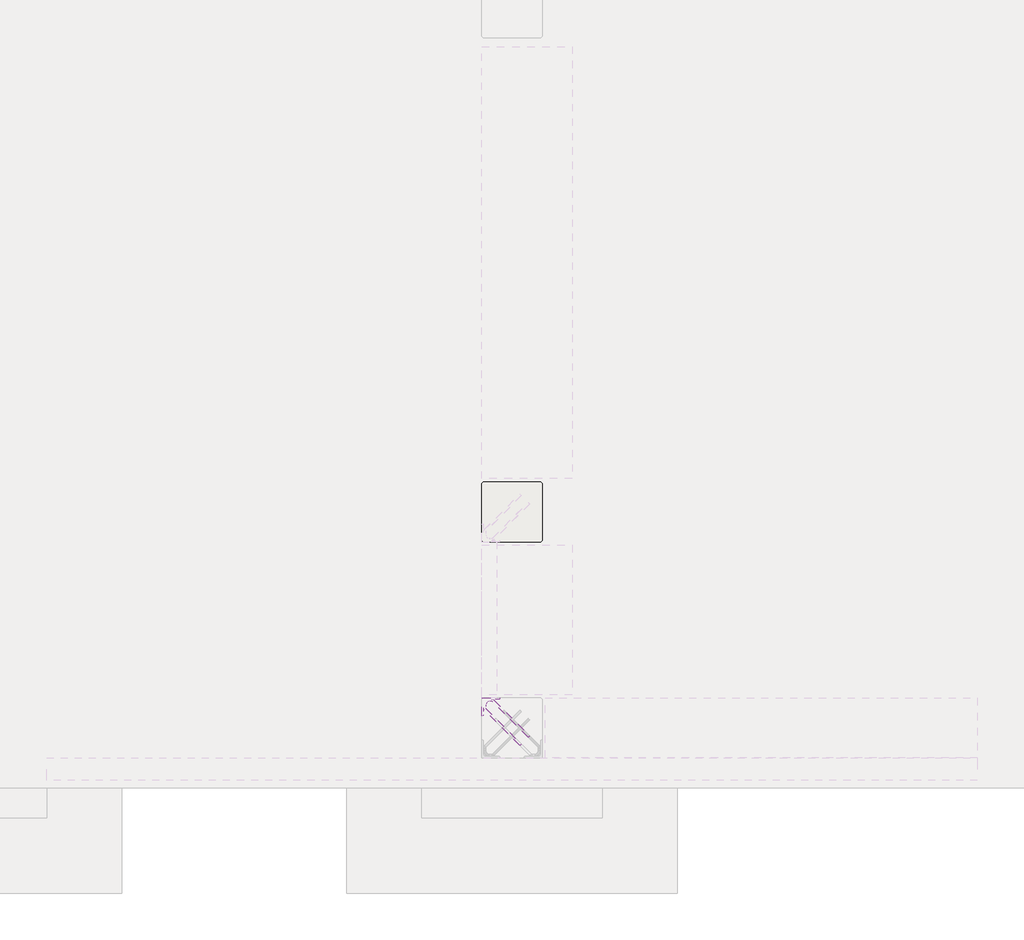
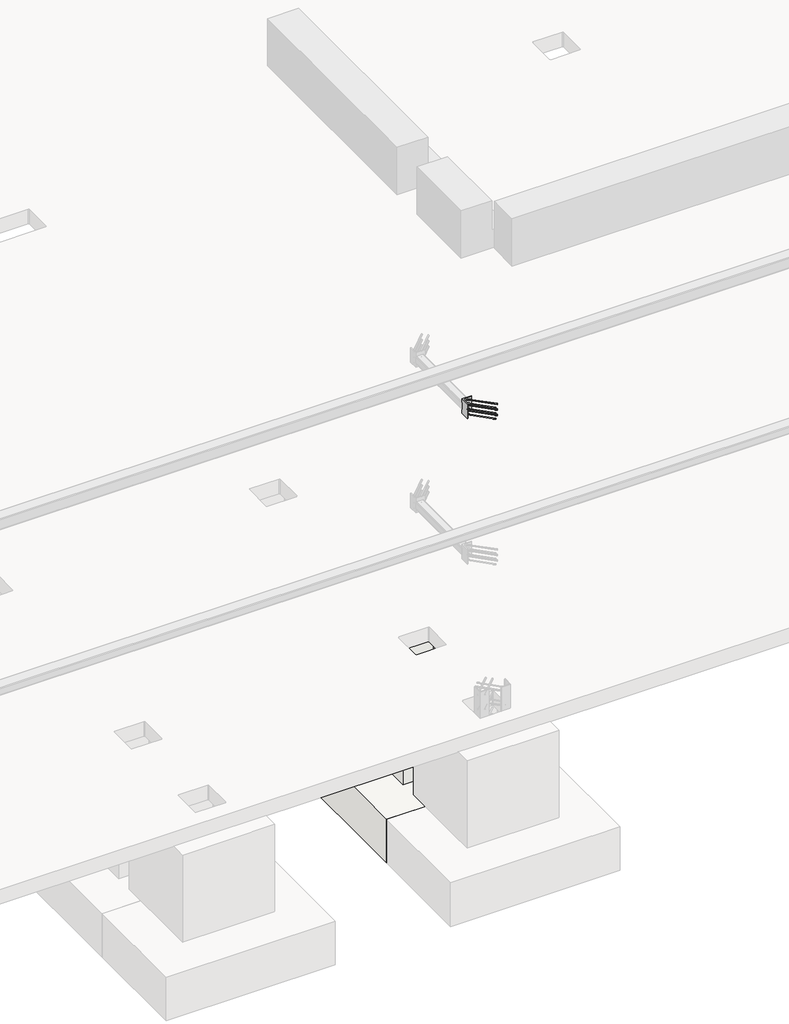
# One storey, part 11 of 65: 1 fastener, 1 slab.
"""IFC4 building model written with IfcOpenShell, lengths in millimetres."""

from ifc_helpers import new_model, si_unit, point, frame, frame_2d, origin, place, context, project, spatial, polyline, circle_curve, ellipse_curve, trimmed, segment, composite_curve, outline, extrude, faceted_brep, element, save
from ifc_brep_helpers import plane_surface, cylinder_surface, revolved_surface, advanced_brep

model = new_model("IFC4")

# Units and contexts
model_context = context("Model", 3, world=origin())
ifc_project = project(units=[si_unit("LENGTHUNIT", "METRE", prefix="MILLI")], contexts=[model_context])

# Site, building, storey
site = spatial("IfcSite", under=ifc_project)
building = spatial("IfcBuilding", under=site)
storey = spatial("IfcBuildingStorey", under=building, Elevation=0.0)

# Fastener
placement = place(None, origin())
element("IfcFastener", 1, at=placement, inside=storey, context=model_context, shape_type="SolidModel", body=[
    advanced_brep(
    [(20902.5376259, 9882.5628791, 4125.0), (20912.4371209, 9892.4623741, 4125.0), (20967.4371209, 9947.4623741, 4125.0), (20957.5376259, 9937.5628791, 4125.0), (20697.0, 10176.0, 4125.0), (20697.0, 10190.0, 4125.0), (20715.7867966, 10190.0, 4125.0), (20715.7867966, 10176.0, 4125.0), (20674.0, 10153.0, 4125.0), (20660.0, 10153.0, 4125.0), (20674.0, 10134.2132034, 4125.0), (20660.0, 10134.2132034, 4125.0), (20666.4436508, 10118.6568542, 4125.0), (20676.3431458, 10128.5563492, 4125.0), (20721.4436508, 10173.6568542, 4125.0), (20731.3431458, 10183.5563492, 4125.0)],
    [
        (0, 1, circle_curve(frame((20907.4873734, 9887.5126266, 4125.0), z_axis=(0.7071067811865459, -0.7071067811865493, 0.0), x_axis=(0.7071067811865493, 0.7071067811865459, 0.0)), 7.0)),
        (1, 0, circle_curve(frame((20907.4873734, 9887.5126266, 4125.0), z_axis=(0.7071067811865459, -0.7071067811865493, 0.0), x_axis=(0.7071067811865493, 0.7071067811865459, 0.0)), 7.0)),
        (2, 3, circle_curve(frame((20962.4873734, 9942.5126266, 4125.0), z_axis=(0.7071067811865457, -0.7071067811865493, 0.0), x_axis=(-0.7071067811865493, -0.7071067811865457, 0.0)), 7.0)),
        (3, 2, circle_curve(frame((20962.4873734, 9942.5126266, 4125.0), z_axis=(0.7071067811865457, -0.7071067811865493, 0.0), x_axis=(-0.7071067811865493, -0.7071067811865457, 0.0)), 7.0)),
        (4, 5, circle_curve(frame((20697.0, 10183.0, 4125.0), z_axis=(1.0, 0.0, 0.0), x_axis=(0.0, -1.0, 0.0)), 7.0)),
        (5, 6),
        (6, 7, circle_curve(frame((20715.7867966, 10183.0, 4125.0), z_axis=(-1.0, 0.0, 0.0), x_axis=(0.0, -1.0, 0.0)), 7.0)),
        (7, 4),
        (5, 4, circle_curve(frame((20697.0, 10183.0, 4125.0), z_axis=(1.0, 0.0, 0.0), x_axis=(0.0, -1.0, 0.0)), 7.0)),
        (7, 6, circle_curve(frame((20715.7867966, 10183.0, 4125.0), z_axis=(-1.0, 0.0, 0.0), x_axis=(0.0, -1.0, 0.0)), 7.0)),
        (4, 8, circle_curve(frame((20697.0, 10153.0, 4125.0), z_axis=(0.0, 0.0, 1.0), x_axis=(-1.0, 0.0, 0.0)), 23.0)),
        (8, 9, circle_curve(frame((20667.0, 10153.0, 4125.0), z_axis=(0.0, 1.0, 0.0), x_axis=(1.0, 0.0, 0.0)), 7.0)),
        (9, 5, circle_curve(frame((20697.0, 10153.0, 4125.0), z_axis=(0.0, 0.0, -1.0), x_axis=(-1.0, 0.0, 0.0)), 37.0)),
        (9, 8, circle_curve(frame((20667.0, 10153.0, 4125.0), z_axis=(0.0, 1.0, 0.0), x_axis=(1.0, 0.0, 0.0)), 7.0)),
        (10, 11, circle_curve(frame((20667.0, 10134.2132034, 4125.0), z_axis=(0.0, 1.0, 0.0), x_axis=(1.0, 0.0, 0.0)), 7.0)),
        (11, 9),
        (8, 10),
        (11, 10, circle_curve(frame((20667.0, 10134.2132034, 4125.0), z_axis=(0.0, 1.0, 0.0), x_axis=(1.0, 0.0, 0.0)), 7.0)),
        (0, 12),
        (12, 13, circle_curve(frame((20671.3933983, 10123.6066017, 4125.0), z_axis=(0.7071067811865459, -0.7071067811865493, 0.0), x_axis=(0.7071067811865493, 0.7071067811865459, 0.0)), 7.0)),
        (13, 1),
        (13, 12, circle_curve(frame((20671.3933983, 10123.6066017, 4125.0), z_axis=(0.7071067811865459, -0.7071067811865493, 0.0), x_axis=(0.7071067811865493, 0.7071067811865459, 0.0)), 7.0)),
        (10, 13, circle_curve(frame((20682.0, 10134.2132034, 4125.0), z_axis=(0.0, 0.0, 1.0), x_axis=(-0.7071067811865491, -0.7071067811865459, 0.0)), 8.0)),
        (12, 11, circle_curve(frame((20682.0, 10134.2132034, 4125.0), z_axis=(0.0, 0.0, -1.0), x_axis=(-0.7071067811865491, -0.7071067811865459, 0.0)), 22.0)),
        (14, 7, circle_curve(frame((20715.7867966, 10168.0, 4125.0), z_axis=(0.0, 0.0, 1.0), x_axis=(0.0, 1.0, 0.0)), 8.0)),
        (6, 15, circle_curve(frame((20715.7867966, 10168.0, 4125.0), z_axis=(0.0, 0.0, -1.0), x_axis=(0.0, 1.0, 0.0)), 22.0)),
        (15, 14, circle_curve(frame((20726.3933983, 10178.6066017, 4125.0), z_axis=(-0.7071067811865456, 0.7071067811865495, 0.0), x_axis=(-0.7071067811865495, -0.7071067811865456, 0.0)), 7.0)),
        (14, 15, circle_curve(frame((20726.3933983, 10178.6066017, 4125.0), z_axis=(-0.707106781186545, 0.70710678118655, 0.0), x_axis=(-0.70710678118655, -0.707106781186545, 0.0)), 7.0)),
        (15, 2),
        (3, 14),
    ],
    [
        plane_surface(frame((20907.4873734, 9887.5126266, 4125.0), z_axis=(0.7071067811865459, -0.7071067811865493, 0.0), x_axis=(0.0, 0.0, -1.0))),
        plane_surface(frame((20962.4873734, 9942.5126266, 4125.0), z_axis=(0.7071067811865457, -0.7071067811865493, 0.0), x_axis=(0.0, 0.0, -1.0))),
        cylinder_surface(frame((20697.0, 10183.0, 4125.0), z_axis=(-1.0, 0.0, 0.0), x_axis=(0.0, -1.0, 0.0)), 7.0),
        revolved_surface(trimmed(ellipse_curve(frame((20667.0, 10153.0, 4125.0), z_axis=(0.0, -1.0, 0.0), x_axis=(1.0, 0.0, 0.0)), 7.0, 7.0), [point((20660.0, 10153.0, 4125.0))], [point((20674.0, 10153.0, 4125.0))], True, "CARTESIAN"), (20697.0, 10153.0, 4125.0), (0.0, 0.0, -1.0)),
        revolved_surface(trimmed(ellipse_curve(frame((20667.0, 10153.0, 4125.0), z_axis=(0.0, -1.0, 0.0), x_axis=(1.0, 0.0, 0.0)), 7.0, 7.0), [point((20674.0, 10153.0, 4125.0))], [point((20660.0, 10153.0, 4125.0))], True, "CARTESIAN"), (20697.0, 10153.0, 4125.0), (0.0, 0.0, -1.0)),
        cylinder_surface(frame((20667.0, 10134.2132034, 4125.0), z_axis=(0.0, -1.0, 0.0), x_axis=(1.0, 0.0, 0.0)), 7.0),
        cylinder_surface(frame((20907.4873734, 9887.5126266, 4125.0), z_axis=(0.7071067811865459, -0.7071067811865493, 0.0), x_axis=(0.7071067811865493, 0.7071067811865459, 0.0)), 7.0),
        revolved_surface(trimmed(ellipse_curve(frame((20671.3933983, 10123.6066017, 4125.0), z_axis=(0.7071067811865459, -0.7071067811865491, 0.0), x_axis=(0.7071067811865491, 0.7071067811865459, 0.0)), 7.0, 7.0), [point((20666.4436508, 10118.6568542, 4125.0))], [point((20676.3431458, 10128.5563492, 4125.0))], True, "CARTESIAN"), (20682.0, 10134.2132034, 4125.0), (0.0, 0.0, -1.0)),
        revolved_surface(trimmed(ellipse_curve(frame((20671.3933983, 10123.6066017, 4125.0), z_axis=(0.7071067811865459, -0.7071067811865491, 0.0), x_axis=(0.7071067811865491, 0.7071067811865459, 0.0)), 7.0, 7.0), [point((20676.3431458, 10128.5563492, 4125.0))], [point((20666.4436508, 10118.6568542, 4125.0))], True, "CARTESIAN"), (20682.0, 10134.2132034, 4125.0), (0.0, 0.0, -1.0)),
        revolved_surface(trimmed(ellipse_curve(frame((20715.7867966, 10183.0, 4125.0), z_axis=(-1.0, 0.0, 0.0), x_axis=(0.0, -1.0, 0.0)), 7.0, 7.0), [point((20715.7867966, 10190.0, 4125.0))], [point((20715.7867966, 10176.0, 4125.0))], True, "CARTESIAN"), (20715.7867966, 10168.0, 4125.0), (0.0, 0.0, -1.0)),
        revolved_surface(trimmed(ellipse_curve(frame((20715.7867966, 10183.0, 4125.0), z_axis=(-1.0, 0.0, 0.0), x_axis=(0.0, -1.0, 0.0)), 7.0, 7.0), [point((20715.7867966, 10176.0, 4125.0))], [point((20715.7867966, 10190.0, 4125.0))], True, "CARTESIAN"), (20715.7867966, 10168.0, 4125.0), (0.0, 0.0, -1.0)),
        cylinder_surface(frame((20726.3933983, 10178.6066017, 4125.0), z_axis=(-0.7071067811865457, 0.7071067811865493, 0.0), x_axis=(-0.7071067811865493, -0.7071067811865457, 0.0)), 7.0),
    ],
    [
        (0, [[1, 2]]),
        (1, [[3, 4]]),
        (2, [[5, 6, 7, 8]]),
        (2, [[9, -8, 10, -6]]),
        (3, [[11, 12, 13, -5]]),
        (4, [[-13, 14, -11, -9]]),
        (5, [[15, 16, -12, 17]]),
        (5, [[18, -17, -14, -16]]),
        (6, [[-1, 19, 20, 21]]),
        (6, [[-2, -21, 22, -19]]),
        (7, [[23, -20, 24, -15]]),
        (8, [[-24, -22, -23, -18]]),
        (9, [[25, -7, 26, 27]]),
        (10, [[-26, -10, -25, 28]]),
        (11, [[-27, 29, -4, 30]]),
        (11, [[-28, -30, -3, -29]]),
    ],
),
    advanced_brep(
    [(20912.4371209, 9892.4623741, 3975.0), (20902.5376259, 9882.5628791, 3975.0), (20957.5376259, 9937.5628791, 3975.0), (20967.4371209, 9947.4623741, 3975.0), (20697.0, 10190.0, 3975.0), (20697.0, 10176.0, 3975.0), (20715.7867966, 10176.0, 3975.0), (20715.7867966, 10190.0, 3975.0), (20660.0, 10153.0, 3975.0), (20674.0, 10153.0, 3975.0), (20660.0, 10134.2132034, 3975.0), (20674.0, 10134.2132034, 3975.0), (20676.3431458, 10128.5563492, 3975.0), (20666.4436508, 10118.6568542, 3975.0), (20731.3431458, 10183.5563492, 3975.0), (20721.4436508, 10173.6568542, 3975.0)],
    [
        (0, 1, circle_curve(frame((20907.4873734, 9887.5126266, 3975.0), z_axis=(0.7071067811865459, -0.7071067811865493, 0.0), x_axis=(-0.7071067811865493, -0.7071067811865459, 0.0)), 7.0)),
        (1, 0, circle_curve(frame((20907.4873734, 9887.5126266, 3975.0), z_axis=(0.7071067811865459, -0.7071067811865493, 0.0), x_axis=(-0.7071067811865493, -0.7071067811865459, 0.0)), 7.0)),
        (2, 3, circle_curve(frame((20962.4873734, 9942.5126266, 3975.0), z_axis=(0.7071067811865458, -0.7071067811865493, 0.0), x_axis=(0.7071067811865493, 0.7071067811865458, 0.0)), 7.0)),
        (3, 2, circle_curve(frame((20962.4873734, 9942.5126266, 3975.0), z_axis=(0.7071067811865458, -0.7071067811865493, 0.0), x_axis=(0.7071067811865493, 0.7071067811865458, 0.0)), 7.0)),
        (4, 5, circle_curve(frame((20697.0, 10183.0, 3975.0), z_axis=(1.0, 0.0, 0.0), x_axis=(0.0, 1.0, 0.0)), 7.0)),
        (5, 6),
        (6, 7, circle_curve(frame((20715.7867966, 10183.0, 3975.0), z_axis=(-1.0, 0.0, 0.0), x_axis=(0.0, 1.0, 0.0)), 7.0)),
        (7, 4),
        (5, 4, circle_curve(frame((20697.0, 10183.0, 3975.0), z_axis=(1.0, 0.0, 0.0), x_axis=(0.0, 1.0, 0.0)), 7.0)),
        (7, 6, circle_curve(frame((20715.7867966, 10183.0, 3975.0), z_axis=(-1.0, 0.0, 0.0), x_axis=(0.0, 1.0, 0.0)), 7.0)),
        (4, 8, circle_curve(frame((20697.0, 10153.0, 3975.0), z_axis=(0.0, 0.0, 1.0), x_axis=(-1.0, 0.0, 0.0)), 37.0)),
        (8, 9, circle_curve(frame((20667.0, 10153.0, 3975.0), z_axis=(0.0, 1.0, 0.0), x_axis=(-1.0, 0.0, 0.0)), 7.0)),
        (9, 5, circle_curve(frame((20697.0, 10153.0, 3975.0), z_axis=(0.0, 0.0, -1.0), x_axis=(-1.0, 0.0, 0.0)), 23.0)),
        (9, 8, circle_curve(frame((20667.0, 10153.0, 3975.0), z_axis=(0.0, 1.0, 0.0), x_axis=(-1.0, 0.0, 0.0)), 7.0)),
        (10, 11, circle_curve(frame((20667.0, 10134.2132034, 3975.0), z_axis=(0.0, 1.0, 0.0), x_axis=(-1.0, 0.0, 0.0)), 7.0)),
        (11, 9),
        (8, 10),
        (11, 10, circle_curve(frame((20667.0, 10134.2132034, 3975.0), z_axis=(0.0, 1.0, 0.0), x_axis=(-1.0, 0.0, 0.0)), 7.0)),
        (0, 12),
        (12, 13, circle_curve(frame((20671.3933983, 10123.6066017, 3975.0), z_axis=(0.7071067811865459, -0.7071067811865493, 0.0), x_axis=(-0.7071067811865493, -0.7071067811865459, 0.0)), 7.0)),
        (13, 1),
        (13, 12, circle_curve(frame((20671.3933983, 10123.6066017, 3975.0), z_axis=(0.7071067811865459, -0.7071067811865493, 0.0), x_axis=(-0.7071067811865493, -0.7071067811865459, 0.0)), 7.0)),
        (10, 13, circle_curve(frame((20682.0, 10134.2132034, 3975.0), z_axis=(0.0, 0.0, 1.0), x_axis=(-0.7071067811865491, -0.7071067811865459, 0.0)), 22.0)),
        (12, 11, circle_curve(frame((20682.0, 10134.2132034, 3975.0), z_axis=(0.0, 0.0, -1.0), x_axis=(-0.7071067811865491, -0.7071067811865459, 0.0)), 8.0)),
        (14, 7, circle_curve(frame((20715.7867966, 10168.0, 3975.0), z_axis=(0.0, 0.0, 1.0), x_axis=(0.0, 1.0, 0.0)), 22.0)),
        (6, 15, circle_curve(frame((20715.7867966, 10168.0, 3975.0), z_axis=(0.0, 0.0, -1.0), x_axis=(0.0, 1.0, 0.0)), 8.0)),
        (15, 14, circle_curve(frame((20726.3933983, 10178.6066017, 3975.0), z_axis=(-0.7071067811865442, 0.7071067811865508, 0.0), x_axis=(0.7071067811865508, 0.7071067811865442, 0.0)), 7.0)),
        (14, 15, circle_curve(frame((20726.3933983, 10178.6066017, 3975.0), z_axis=(-0.707106781186545, 0.70710678118655, 0.0), x_axis=(0.70710678118655, 0.707106781186545, 0.0)), 7.0)),
        (15, 2),
        (3, 14),
    ],
    [
        plane_surface(frame((20907.4873734, 9887.5126266, 3975.0), z_axis=(0.7071067811865459, -0.7071067811865493, 0.0), x_axis=(0.0, 0.0, 1.0))),
        plane_surface(frame((20962.4873734, 9942.5126266, 3975.0), z_axis=(0.7071067811865458, -0.7071067811865493, 0.0), x_axis=(0.0, 0.0, 1.0))),
        cylinder_surface(frame((20697.0, 10183.0, 3975.0), z_axis=(-1.0, 0.0, 0.0), x_axis=(0.0, 1.0, 0.0)), 7.0),
        revolved_surface(trimmed(ellipse_curve(frame((20667.0, 10153.0, 3975.0), z_axis=(0.0, -1.0, 0.0), x_axis=(-1.0, 0.0, 0.0)), 7.0, 7.0), [point((20674.0, 10153.0, 3975.0))], [point((20660.0, 10153.0, 3975.0))], True, "CARTESIAN"), (20697.0, 10153.0, 3975.0), (0.0, 0.0, -1.0)),
        revolved_surface(trimmed(ellipse_curve(frame((20667.0, 10153.0, 3975.0), z_axis=(0.0, -1.0, 0.0), x_axis=(-1.0, 0.0, 0.0)), 7.0, 7.0), [point((20660.0, 10153.0, 3975.0))], [point((20674.0, 10153.0, 3975.0))], True, "CARTESIAN"), (20697.0, 10153.0, 3975.0), (0.0, 0.0, -1.0)),
        cylinder_surface(frame((20667.0, 10134.2132034, 3975.0), z_axis=(0.0, -1.0, 0.0), x_axis=(-1.0, 0.0, 0.0)), 7.0),
        cylinder_surface(frame((20907.4873734, 9887.5126266, 3975.0), z_axis=(0.7071067811865459, -0.7071067811865493, 0.0), x_axis=(-0.7071067811865493, -0.7071067811865459, 0.0)), 7.0),
        revolved_surface(trimmed(ellipse_curve(frame((20671.3933983, 10123.6066017, 3975.0), z_axis=(0.7071067811865459, -0.7071067811865491, 0.0), x_axis=(-0.7071067811865491, -0.7071067811865459, 0.0)), 7.0, 7.0), [point((20676.3431458, 10128.5563492, 3975.0))], [point((20666.4436508, 10118.6568542, 3975.0))], True, "CARTESIAN"), (20682.0, 10134.2132034, 3975.0), (0.0, 0.0, -1.0)),
        revolved_surface(trimmed(ellipse_curve(frame((20671.3933983, 10123.6066017, 3975.0), z_axis=(0.7071067811865459, -0.7071067811865491, 0.0), x_axis=(-0.7071067811865491, -0.7071067811865459, 0.0)), 7.0, 7.0), [point((20666.4436508, 10118.6568542, 3975.0))], [point((20676.3431458, 10128.5563492, 3975.0))], True, "CARTESIAN"), (20682.0, 10134.2132034, 3975.0), (0.0, 0.0, -1.0)),
        revolved_surface(trimmed(ellipse_curve(frame((20715.7867966, 10183.0, 3975.0), z_axis=(-1.0, 0.0, 0.0), x_axis=(0.0, 1.0, 0.0)), 7.0, 7.0), [point((20715.7867966, 10176.0, 3975.0))], [point((20715.7867966, 10190.0, 3975.0))], True, "CARTESIAN"), (20715.7867966, 10168.0, 3975.0), (0.0, 0.0, -1.0)),
        revolved_surface(trimmed(ellipse_curve(frame((20715.7867966, 10183.0, 3975.0), z_axis=(-1.0, 0.0, 0.0), x_axis=(0.0, 1.0, 0.0)), 7.0, 7.0), [point((20715.7867966, 10190.0, 3975.0))], [point((20715.7867966, 10176.0, 3975.0))], True, "CARTESIAN"), (20715.7867966, 10168.0, 3975.0), (0.0, 0.0, -1.0)),
        cylinder_surface(frame((20726.3933983, 10178.6066017, 3975.0), z_axis=(-0.7071067811865458, 0.7071067811865493, 0.0), x_axis=(0.7071067811865493, 0.7071067811865458, 0.0)), 7.0),
    ],
    [
        (0, [[1, 2]]),
        (1, [[3, 4]]),
        (2, [[5, 6, 7, 8]]),
        (2, [[9, -8, 10, -6]]),
        (3, [[11, 12, 13, -5]]),
        (4, [[-13, 14, -11, -9]]),
        (5, [[15, 16, -12, 17]]),
        (5, [[18, -17, -14, -16]]),
        (6, [[-1, 19, 20, 21]]),
        (6, [[-2, -21, 22, -19]]),
        (7, [[23, -20, 24, -15]]),
        (8, [[-24, -22, -23, -18]]),
        (9, [[25, -7, 26, 27]]),
        (10, [[-26, -10, -25, 28]]),
        (11, [[-27, 29, -4, 30]]),
        (11, [[-28, -30, -3, -29]]),
    ],
),
    advanced_brep(
    [(20912.4371209, 9892.4623741, 4050.0), (20902.5376259, 9882.5628791, 4050.0), (20957.5376259, 9937.5628791, 4050.0), (20967.4371209, 9947.4623741, 4050.0), (20697.0, 10190.0, 4050.0), (20697.0, 10176.0, 4050.0), (20715.7867966, 10176.0, 4050.0), (20715.7867966, 10190.0, 4050.0), (20660.0, 10153.0, 4050.0), (20674.0, 10153.0, 4050.0), (20660.0, 10134.2132034, 4050.0), (20674.0, 10134.2132034, 4050.0), (20676.3431458, 10128.5563492, 4050.0), (20666.4436508, 10118.6568542, 4050.0), (20731.3431458, 10183.5563492, 4050.0), (20721.4436508, 10173.6568542, 4050.0)],
    [
        (0, 1, circle_curve(frame((20907.4873734, 9887.5126266, 4050.0), z_axis=(0.7071067811865458, -0.7071067811865492, 0.0), x_axis=(-0.7071067811865492, -0.7071067811865458, 0.0)), 7.0)),
        (1, 0, circle_curve(frame((20907.4873734, 9887.5126266, 4050.0), z_axis=(0.7071067811865458, -0.7071067811865492, 0.0), x_axis=(-0.7071067811865492, -0.7071067811865458, 0.0)), 7.0)),
        (2, 3, circle_curve(frame((20962.4873734, 9942.5126266, 4050.0), z_axis=(0.7071067811865458, -0.7071067811865493, 0.0), x_axis=(0.7071067811865493, 0.7071067811865458, 0.0)), 7.0)),
        (3, 2, circle_curve(frame((20962.4873734, 9942.5126266, 4050.0), z_axis=(0.7071067811865458, -0.7071067811865493, 0.0), x_axis=(0.7071067811865493, 0.7071067811865458, 0.0)), 7.0)),
        (4, 5, circle_curve(frame((20697.0, 10183.0, 4050.0), z_axis=(1.0, 0.0, 0.0), x_axis=(0.0, 1.0, 0.0)), 7.0)),
        (5, 6),
        (6, 7, circle_curve(frame((20715.7867966, 10183.0, 4050.0), z_axis=(-1.0, 0.0, 0.0), x_axis=(0.0, 1.0, 0.0)), 7.0)),
        (7, 4),
        (5, 4, circle_curve(frame((20697.0, 10183.0, 4050.0), z_axis=(1.0, 0.0, 0.0), x_axis=(0.0, 1.0, 0.0)), 7.0)),
        (7, 6, circle_curve(frame((20715.7867966, 10183.0, 4050.0), z_axis=(-1.0, 0.0, 0.0), x_axis=(0.0, 1.0, 0.0)), 7.0)),
        (4, 8, circle_curve(frame((20697.0, 10153.0, 4050.0), z_axis=(0.0, 0.0, 1.0), x_axis=(-1.0, 0.0, 0.0)), 37.0)),
        (8, 9, circle_curve(frame((20667.0, 10153.0, 4050.0), z_axis=(0.0, 1.0, 0.0), x_axis=(-1.0, 0.0, 0.0)), 7.0)),
        (9, 5, circle_curve(frame((20697.0, 10153.0, 4050.0), z_axis=(0.0, 0.0, -1.0), x_axis=(-1.0, 0.0, 0.0)), 23.0)),
        (9, 8, circle_curve(frame((20667.0, 10153.0, 4050.0), z_axis=(0.0, 1.0, 0.0), x_axis=(-1.0, 0.0, 0.0)), 7.0)),
        (10, 11, circle_curve(frame((20667.0, 10134.2132034, 4050.0), z_axis=(0.0, 1.0, 0.0), x_axis=(-1.0, 0.0, 0.0)), 7.0)),
        (11, 9),
        (8, 10),
        (11, 10, circle_curve(frame((20667.0, 10134.2132034, 4050.0), z_axis=(0.0, 1.0, 0.0), x_axis=(-1.0, 0.0, 0.0)), 7.0)),
        (0, 12),
        (12, 13, circle_curve(frame((20671.3933983, 10123.6066017, 4050.0), z_axis=(0.7071067811865458, -0.7071067811865492, 0.0), x_axis=(-0.7071067811865492, -0.7071067811865458, 0.0)), 7.0)),
        (13, 1),
        (13, 12, circle_curve(frame((20671.3933983, 10123.6066017, 4050.0), z_axis=(0.7071067811865458, -0.7071067811865492, 0.0), x_axis=(-0.7071067811865492, -0.7071067811865458, 0.0)), 7.0)),
        (10, 13, circle_curve(frame((20682.0, 10134.2132034, 4050.0), z_axis=(0.0, 0.0, 1.0), x_axis=(-0.7071067811865491, -0.7071067811865459, 0.0)), 22.0)),
        (12, 11, circle_curve(frame((20682.0, 10134.2132034, 4050.0), z_axis=(0.0, 0.0, -1.0), x_axis=(-0.7071067811865491, -0.7071067811865459, 0.0)), 8.0)),
        (14, 7, circle_curve(frame((20715.7867966, 10168.0, 4050.0), z_axis=(0.0, 0.0, 1.0), x_axis=(0.0, 1.0, 0.0)), 22.0)),
        (6, 15, circle_curve(frame((20715.7867966, 10168.0, 4050.0), z_axis=(0.0, 0.0, -1.0), x_axis=(0.0, 1.0, 0.0)), 8.0)),
        (15, 14, circle_curve(frame((20726.3933983, 10178.6066017, 4050.0), z_axis=(-0.7071067811865457, 0.7071067811865493, 0.0), x_axis=(0.7071067811865493, 0.7071067811865457, 0.0)), 7.0)),
        (14, 15, circle_curve(frame((20726.3933983, 10178.6066017, 4050.0), z_axis=(-0.7071067811865456, 0.7071067811865495, 0.0), x_axis=(0.7071067811865495, 0.7071067811865456, 0.0)), 7.0)),
        (15, 2),
        (3, 14),
    ],
    [
        plane_surface(frame((20907.4873734, 9887.5126266, 4050.0), z_axis=(0.7071067811865458, -0.7071067811865492, 0.0), x_axis=(0.0, 0.0, 1.0))),
        plane_surface(frame((20962.4873734, 9942.5126266, 4050.0), z_axis=(0.7071067811865457, -0.7071067811865495, 0.0), x_axis=(0.0, 0.0, 1.0))),
        cylinder_surface(frame((20697.0, 10183.0, 4050.0), z_axis=(-1.0, 0.0, 0.0), x_axis=(0.0, 1.0, 0.0)), 7.0),
        revolved_surface(trimmed(ellipse_curve(frame((20667.0, 10153.0, 4050.0), z_axis=(0.0, -1.0, 0.0), x_axis=(-1.0, 0.0, 0.0)), 7.0, 7.0), [point((20674.0, 10153.0, 4050.0))], [point((20660.0, 10153.0, 4050.0))], True, "CARTESIAN"), (20697.0, 10153.0, 4050.0), (0.0, 0.0, -1.0)),
        revolved_surface(trimmed(ellipse_curve(frame((20667.0, 10153.0, 4050.0), z_axis=(0.0, -1.0, 0.0), x_axis=(-1.0, 0.0, 0.0)), 7.0, 7.0), [point((20660.0, 10153.0, 4050.0))], [point((20674.0, 10153.0, 4050.0))], True, "CARTESIAN"), (20697.0, 10153.0, 4050.0), (0.0, 0.0, -1.0)),
        cylinder_surface(frame((20667.0, 10134.2132034, 4050.0), z_axis=(0.0, -1.0, 0.0), x_axis=(-1.0, 0.0, 0.0)), 7.0),
        cylinder_surface(frame((20907.4873734, 9887.5126266, 4050.0), z_axis=(0.7071067811865458, -0.7071067811865492, 0.0), x_axis=(-0.7071067811865492, -0.7071067811865458, 0.0)), 7.0),
        revolved_surface(trimmed(ellipse_curve(frame((20671.3933983, 10123.6066017, 4050.0), z_axis=(0.707106781186546, -0.707106781186549, 0.0), x_axis=(-0.707106781186549, -0.707106781186546, 0.0)), 7.0, 7.0), [point((20676.3431458, 10128.5563492, 4050.0))], [point((20666.4436508, 10118.6568542, 4050.0))], True, "CARTESIAN"), (20682.0, 10134.2132034, 4050.0), (0.0, 0.0, -1.0)),
        revolved_surface(trimmed(ellipse_curve(frame((20671.3933983, 10123.6066017, 4050.0), z_axis=(0.707106781186546, -0.707106781186549, 0.0), x_axis=(-0.707106781186549, -0.707106781186546, 0.0)), 7.0, 7.0), [point((20666.4436508, 10118.6568542, 4050.0))], [point((20676.3431458, 10128.5563492, 4050.0))], True, "CARTESIAN"), (20682.0, 10134.2132034, 4050.0), (0.0, 0.0, -1.0)),
        revolved_surface(trimmed(ellipse_curve(frame((20715.7867966, 10183.0, 4050.0), z_axis=(-1.0, 0.0, 0.0), x_axis=(0.0, 1.0, 0.0)), 7.0, 7.0), [point((20715.7867966, 10176.0, 4050.0))], [point((20715.7867966, 10190.0, 4050.0))], True, "CARTESIAN"), (20715.7867966, 10168.0, 4050.0), (0.0, 0.0, -1.0)),
        revolved_surface(trimmed(ellipse_curve(frame((20715.7867966, 10183.0, 4050.0), z_axis=(-1.0, 0.0, 0.0), x_axis=(0.0, 1.0, 0.0)), 7.0, 7.0), [point((20715.7867966, 10190.0, 4050.0))], [point((20715.7867966, 10176.0, 4050.0))], True, "CARTESIAN"), (20715.7867966, 10168.0, 4050.0), (0.0, 0.0, -1.0)),
        cylinder_surface(frame((20726.3933983, 10178.6066017, 4050.0), z_axis=(-0.7071067811865458, 0.7071067811865493, 0.0), x_axis=(0.7071067811865493, 0.7071067811865458, 0.0)), 7.0),
    ],
    [
        (0, [[1, 2]]),
        (1, [[3, 4]]),
        (2, [[5, 6, 7, 8]]),
        (2, [[9, -8, 10, -6]]),
        (3, [[11, 12, 13, -5]]),
        (4, [[-13, 14, -11, -9]]),
        (5, [[15, 16, -12, 17]]),
        (5, [[18, -17, -14, -16]]),
        (6, [[-1, 19, 20, 21]]),
        (6, [[-2, -21, 22, -19]]),
        (7, [[23, -20, 24, -15]]),
        (8, [[-24, -22, -23, -18]]),
        (9, [[25, -7, 26, 27]]),
        (10, [[-26, -10, -25, 28]]),
        (11, [[-27, 29, -4, 30]]),
        (11, [[-28, -30, -3, -29]]),
    ],
),
    extrude(outline(composite_curve([segment(polyline([(20650.0, 10200.0), (20770.0, 10200.0), (20770.0, 10196.5)]), True, "CONTINUOUS"), segment(trimmed(circle_curve(frame_2d((20763.5, 10196.5)), 6.5), [point((20770.0, 10196.5))], [point((20763.5, 10190.0))], False, "CARTESIAN"), True, "CONTINUOUS"), segment(polyline([(20763.5, 10190.0), (20673.0, 10190.0)]), True, "CONTINUOUS"), segment(trimmed(circle_curve(frame_2d((20673.0, 10177.0)), 13.0), [point((20673.0, 10190.0))], [point((20660.0, 10177.0))], True, "CARTESIAN"), True, "CONTINUOUS"), segment(polyline([(20660.0, 10177.0), (20660.0, 10086.5)]), True, "CONTINUOUS"), segment(trimmed(circle_curve(frame_2d((20653.5, 10086.5)), 6.5), [point((20660.0, 10086.5))], [point((20653.5, 10080.0))], False, "CARTESIAN"), True, "CONTINUOUS"), segment(polyline([(20653.5, 10080.0), (20650.0, 10080.0), (20650.0, 10200.0)]), True, "CONTINUOUS")], self_intersect=False)), frame((0.0, 0.0, 3950.0), z_axis=(0.0, 0.0, 1.0), x_axis=(1.0, 0.0, 0.0)), (0.0, 0.0, 1.0), 200.0),
])

# Slab
element("IfcSlab", 2, ObjectType="F2.2x2.2x0.6m P1.2x1.2x1.2m", at=placement, inside=storey, context=model_context, shape_type="Brep", body=[
    faceted_brep([(19750.0, 10340.0, -2000.0), (21950.0, 10340.0, -2000.0), (21950.0, 10340.0, -1400.0), (21450.0, 10340.0, -1400.0), (20250.0, 10340.0, -1400.0), (19750.0, 10340.0, -1400.0), (19750.0, 12540.0, -1400.0), (21950.0, 12540.0, -1400.0), (20250.0, 12040.0, -1400.0), (21450.0, 12040.0, -1400.0), (21450.0, 10840.0, -1400.0), (20250.0, 10840.0, -1400.0), (20250.0, 12040.0, -200.0), (21450.0, 12040.0, -200.0), (20575.0, 11715.0, -1400.0), (20575.0, 11165.0, -1400.0), (21125.0, 11165.0, -1400.0), (21125.0, 11715.0, -1400.0), (20250.0, 10840.0, -200.0), (21450.0, 10840.0, -200.0), (20500.0, 11090.0, -200.0), (20500.0, 11790.0, -200.0), (21200.0, 11790.0, -200.0), (21200.0, 11090.0, -200.0), (19750.0, 12540.0, -2000.0), (21950.0, 12540.0, -2000.0)], [[[0, 1, 2, 3, 4, 5]], [[6, 5, 4, 3, 2, 7], [8, 9, 10, 11]], [[9, 8, 12, 13]], [[14, 15, 16, 17]], [[13, 12, 18, 19], [20, 21, 22, 23]], [[24, 25, 1, 0]], [[24, 0, 5, 6]], [[1, 25, 7, 2]], [[25, 24, 6, 7]], [[10, 9, 13, 19]], [[11, 10, 19, 18]], [[8, 11, 18, 12]], [[15, 14, 21, 20]], [[16, 15, 20, 23]], [[17, 16, 23, 22]], [[14, 17, 22, 21]]]),
])

save(model, "model.ifc")
